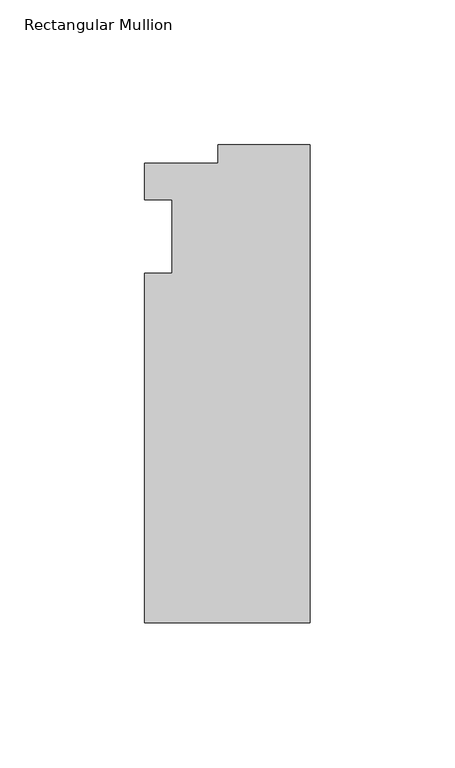
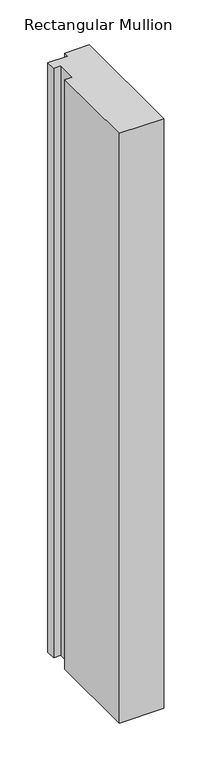
"""IFC4 building model written with IfcOpenShell, lengths in millimetres: member geometry, Rectangular Mullion."""

import ifcopenshell
import ifcopenshell.guid

model = None  # the IFC model being written
_history = None  # IfcOwnerHistory: only IFC2X3 demands one
_inside = {}  # id of a spatial element -> (the spatial element, [elements in it])
_under = {}  # id of a project, library or spatial element -> (it, [spatial elements below it])
_declared = {}  # id of a project -> (the project, [libraries it declares])
_typed = {}  # id of a type object -> (the type object, [elements of that type])
_made_of = {}  # id of a material, layer set ... -> (it, [elements and type objects made of it])


def new_model(schema):
    """Start an empty IFC model of exactly this schema.

    Asked for "IFC4X3", IfcOpenShell would pick the latest addendum, in which some entities
    have other attributes; the version numbers below select the first issue.
    IFC2X3 requires an IfcOwnerHistory on every rooted entity: one is made here for all.
    """
    global model, _history
    if schema == "IFC4X3":
        model = ifcopenshell.file(schema_version=(4, 3, 0, 0))
    else:
        model = ifcopenshell.file(schema=schema)
    _inside.clear()
    _under.clear()
    _declared.clear()
    _typed.clear()
    _made_of.clear()
    _history = None
    if model.schema == "IFC2X3":
        org = make("IfcOrganization", Name="unknown")
        user = make(
            "IfcPersonAndOrganization",
            ThePerson=make("IfcPerson", FamilyName="unknown"),
            TheOrganization=org,
        )
        app = make(
            "IfcApplication",
            ApplicationDeveloper=org,
            Version="unknown",
            ApplicationFullName="unknown",
            ApplicationIdentifier="unknown",
        )
        _history = make(
            "IfcOwnerHistory",
            OwningUser=user,
            OwningApplication=app,
            ChangeAction="ADDED",
            CreationDate=0,
        )
    return model


def make(cls, **values):
    """One entity of the class cls with the attributes given. An attribute that is None is left unset."""
    return model.create_entity(
        cls, **{name: value for name, value in values.items() if value is not None}
    )


def rooted(cls, **values):
    """An entity with a GlobalId (a new one), such as an element, a storey or a relation."""
    return make(cls, GlobalId=ifcopenshell.guid.new(), OwnerHistory=_history, **values)


def si_unit(unit_type, name, prefix=None):
    """IfcSIUnit, for example si_unit("LENGTHUNIT", "METRE", prefix="MILLI")."""
    return make("IfcSIUnit", UnitType=unit_type, Prefix=prefix, Name=name)


def assignment(units):
    """IfcUnitAssignment: the units of a project."""
    return None if units is None else make("IfcUnitAssignment", Units=units)


def point(xyz):
    """IfcCartesianPoint."""
    return None if xyz is None else make("IfcCartesianPoint", Coordinates=xyz)


def direction(xyz):
    """IfcDirection."""
    return None if xyz is None else make("IfcDirection", DirectionRatios=xyz)


def frame(location, z_axis=None, x_axis=None):
    """IfcAxis2Placement3D, a coordinate frame: its origin and axes. An axis left out is left unset."""
    return make(
        "IfcAxis2Placement3D",
        Location=point(location),
        Axis=direction(z_axis),
        RefDirection=direction(x_axis),
    )


def origin():
    """The frame at (0, 0, 0) with its axes left unset."""
    return frame((0.0, 0.0, 0.0))


def place(relative_to, where):
    """IfcLocalPlacement: puts the frame where relative to a parent placement (None: the world)."""
    return make(
        "IfcLocalPlacement", PlacementRelTo=relative_to, RelativePlacement=where
    )


def context(
    kind, dimensions, precision=None, world=None, true_north=None, identifier=None
):
    """IfcGeometricRepresentationContext, for example the 3D "Model" context."""
    return make(
        "IfcGeometricRepresentationContext",
        ContextIdentifier=identifier,
        ContextType=kind,
        CoordinateSpaceDimension=dimensions,
        Precision=precision,
        WorldCoordinateSystem=world,
        TrueNorth=true_north,
    )


def project(units=None, contexts=None):
    """IfcProject with its units and contexts."""
    return rooted(
        "IfcProject",
        Name="project",
        RepresentationContexts=contexts,
        UnitsInContext=assignment(units),
    )


def spatial(cls, under=None, at=None, **own):
    """A site, building, storey or space (cls), placed at a placement, below another one or the project."""
    s = rooted(cls, ObjectPlacement=at, **own)
    if under is not None:
        _under.setdefault(under.id(), (under, []))[1].append(s)
    return s


def polyline(points):
    """IfcPolyline through the points."""
    return make("IfcPolyline", Points=[point(p) for p in points])


def outline(outer, holes=None, kind="AREA"):
    """IfcArbitraryClosedProfileDef: a profile drawn as a closed curve; with holes, ...WithVoids."""
    if holes is None:
        return make("IfcArbitraryClosedProfileDef", ProfileType=kind, OuterCurve=outer)
    return make(
        "IfcArbitraryProfileDefWithVoids",
        ProfileType=kind,
        OuterCurve=outer,
        InnerCurves=holes,
    )


def extrude(swept, where, along, depth):
    """IfcExtrudedAreaSolid: the profile swept, set in the frame where, extruded along a direction by depth."""
    return make(
        "IfcExtrudedAreaSolid",
        SweptArea=swept,
        Position=where,
        ExtrudedDirection=direction(along),
        Depth=depth,
    )


def shape(context_of_items, identifier, shape_type, items):
    """IfcShapeRepresentation: the items that make up one representation, for example the "Body"."""
    return make(
        "IfcShapeRepresentation",
        ContextOfItems=context_of_items,
        RepresentationIdentifier=identifier,
        RepresentationType=shape_type,
        Items=items,
    )


def source(mapping_origin, context_of_items, identifier, shape_type, items):
    """IfcRepresentationMap: a shape defined once, which mapped items show again and again."""
    return make(
        "IfcRepresentationMap",
        MappingOrigin=mapping_origin,
        MappedRepresentation=shape(context_of_items, identifier, shape_type, items),
    )


def transform(
    local_origin,
    x_axis=None,
    y_axis=None,
    z_axis=None,
    scale=None,
    scale2=None,
    scale3=None,
    uniform=True,
):
    """IfcCartesianTransformationOperator3D, or its non-uniform kind. x_axis, y_axis, z_axis: its Axis1, 2, 3."""
    if uniform:
        return make(
            "IfcCartesianTransformationOperator3D",
            Axis1=direction(x_axis),
            Axis2=direction(y_axis),
            LocalOrigin=point(local_origin),
            Scale=scale,
            Axis3=direction(z_axis),
        )
    return make(
        "IfcCartesianTransformationOperator3DnonUniform",
        Axis1=direction(x_axis),
        Axis2=direction(y_axis),
        LocalOrigin=point(local_origin),
        Scale=scale,
        Axis3=direction(z_axis),
        Scale2=scale2,
        Scale3=scale3,
    )


def mapped(mapping_source, mapping_target):
    """IfcMappedItem: shows the shape of a source again, moved by a transform."""
    return make(
        "IfcMappedItem", MappingSource=mapping_source, MappingTarget=mapping_target
    )


def made_of(thing, what):
    """Note that an element or type object is made of a material, layer set ...; save() writes the relation."""
    if what is not None:
        _made_of.setdefault(what.id(), (what, []))[1].append(thing)
    return thing


def element(
    cls,
    number,
    at=None,
    inside=None,
    cuts=None,
    type_object=None,
    material=None,
    context=None,
    identifier="Body",
    shape_type=None,
    held_by="IfcProductDefinitionShape",
    body=None,
    shapes=None,
    **own,
):
    """One element of the class cls, such as IfcWall. Its Tag is "e" and its number.

    at: its placement. inside: the storey or other place that contains it. cuts: it is an
    opening in that element (IfcRelVoidsElement). A single representation is given by context,
    identifier, shape_type and body (its items); several are given by shapes. held_by: the class
    of the entity that holds the representations. save() writes the other relations.
    """
    e = rooted(cls, Tag="e%d" % number, ObjectPlacement=at, **own)
    if body is not None:
        shapes = [shape(context, identifier, shape_type, body)]
    if shapes is not None:
        e.Representation = make(held_by, Representations=shapes)
    if inside is not None:
        _inside.setdefault(inside.id(), (inside, []))[1].append(e)
    if cuts is not None:
        rooted(
            "IfcRelVoidsElement", RelatingBuildingElement=cuts, RelatedOpeningElement=e
        )
    if type_object is not None:
        _typed.setdefault(type_object.id(), (type_object, []))[1].append(e)
    return made_of(e, material)


def aggregate(whole, parts):
    """IfcRelAggregates: a whole, such as a stair, and the parts it consists of."""
    return rooted("IfcRelAggregates", RelatingObject=whole, RelatedObjects=parts)


def save(model, path):
    """Write the relations noted so far, then the file.

    IfcRelAggregates (storeys below a building ...), IfcRelContainedInSpatialStructure (elements
    in a storey), IfcRelDefinesByType, IfcRelAssociatesMaterial and IfcRelDeclares: one each for
    every whole, place, type object, material and project.
    """
    for whole, parts in _under.values():
        aggregate(whole, parts)
    for where, things in _inside.values():
        rooted(
            "IfcRelContainedInSpatialStructure",
            RelatedElements=things,
            RelatingStructure=where,
        )
    for kind, things in _typed.values():
        rooted("IfcRelDefinesByType", RelatedObjects=things, RelatingType=kind)
    for what, things in _made_of.values():
        rooted("IfcRelAssociatesMaterial", RelatedObjects=things, RelatingMaterial=what)
    for by, libraries in _declared.values():
        rooted("IfcRelDeclares", RelatingContext=by, RelatedDefinitions=libraries)
    model.write(path)


def rectangular_mullion_1d324863(model_context):
    return source(origin(), model_context, "Body", "SweptSolid", [
        extrude(outline(polyline([(-57.15, -146.05), (-57.15, -25.4), (-47.6232296, -25.4), (-47.6232296, 0.0), (-57.15, 0.0), (-57.15, 12.7), (-31.75, 12.7), (-31.75, 19.05), (0.0, 19.05), (0.0, -146.05), (-57.15, -146.05)])), frame((0.0, 0.0, -800.1), z_axis=(0.0, 0.0, 1.0), x_axis=(1.0, 0.0, 0.0)), (0.0, 0.0, 1.0), 800.1),
    ])


if __name__ == "__main__":
    model = new_model("IFC4")
    model_context = context("Model", 3, world=origin())
    ifc_project = project(units=[si_unit("LENGTHUNIT", "METRE", prefix="MILLI")], contexts=[model_context])
    site = spatial("IfcSite", under=ifc_project)
    building = spatial("IfcBuilding", under=site)
    placement = place(None, origin())
    rectangular_mullion_shape = rectangular_mullion_1d324863(model_context)
    element("IfcMember", 1, ObjectType="Rectangular Mullion", at=placement, inside=building, context=model_context, shape_type="MappedRepresentation", body=[
        mapped(rectangular_mullion_shape, transform((0.0, 0.0, 0.0), x_axis=(1.0, 0.0, 0.0), y_axis=(0.0, 1.0, 0.0), z_axis=(0.0, 0.0, 1.0))),
    ])
    save(model, "model.ifc")
